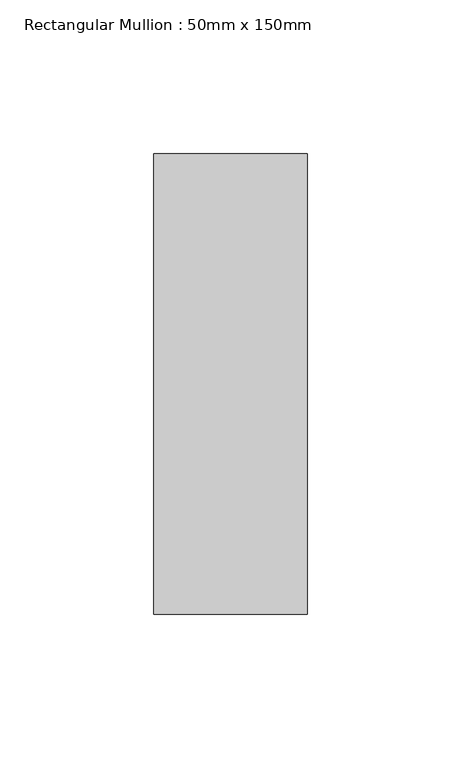
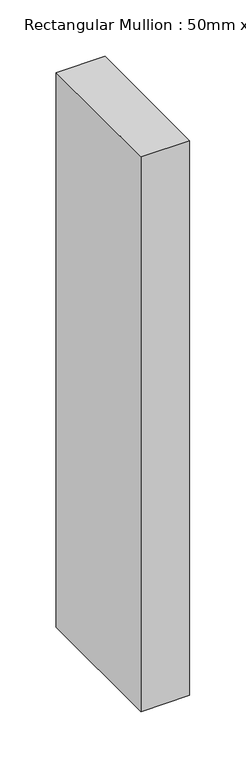
"""IFC4 building model written with IfcOpenShell, lengths in millimetres: member geometry, Rectangular Mullion : 50mm x 150mm."""

from ifc_helpers import new_model, si_unit, frame, origin, place, context, project, spatial, polyline, outline, extrude, source, transform, mapped, element, save


def rectangular_mullion_50mm_x_150mm_68b3818a(model_context):
    return source(origin(), model_context, "Body", "SweptSolid", [
        extrude(outline(polyline([(25.0, 75.0), (25.0, -75.0), (-25.0, -75.0), (-25.0, 75.0), (25.0, 75.0)])), frame((0.0, 0.0, -600.0), z_axis=(0.0, 0.0, 1.0), x_axis=(1.0, 0.0, 0.0)), (0.0, 0.0, 1.0), 600.0),
    ])


if __name__ == "__main__":
    model = new_model("IFC4")
    model_context = context("Model", 3, world=origin())
    ifc_project = project(units=[si_unit("LENGTHUNIT", "METRE", prefix="MILLI")], contexts=[model_context])
    site = spatial("IfcSite", under=ifc_project)
    building = spatial("IfcBuilding", under=site)
    placement = place(None, origin())
    rectangular_mullion_50mm_x_150mm_shape = rectangular_mullion_50mm_x_150mm_68b3818a(model_context)
    element("IfcMember", 1, ObjectType="Rectangular Mullion : 50mm x 150mm", at=placement, inside=building, context=model_context, shape_type="MappedRepresentation", body=[
        mapped(rectangular_mullion_50mm_x_150mm_shape, transform((0.0, 0.0, 0.0), x_axis=(1.0, 0.0, 0.0), y_axis=(0.0, 1.0, 0.0), z_axis=(0.0, 0.0, 1.0))),
    ])
    save(model, "model.ifc")
